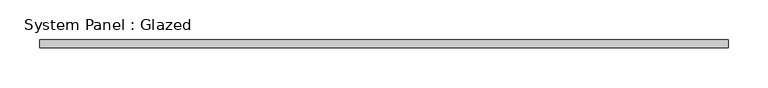
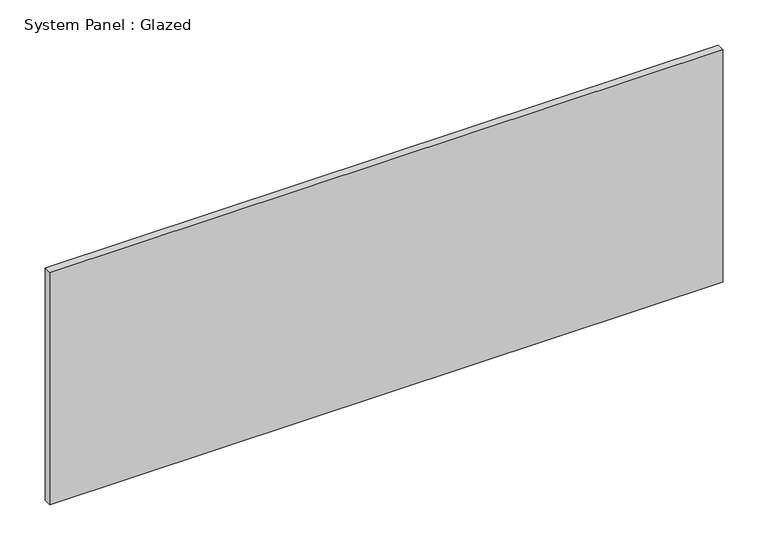
"""IFC4 building model written with IfcOpenShell, lengths in millimetres: plate geometry, System Panel : Glazed."""

from ifc_helpers import new_model, si_unit, origin, origin_with_axes, place, context, project, spatial, polyline, outline, extrude, source, transform, mapped, element, save


def system_panel_glazed_6a3b800e(model_context):
    return source(origin(), model_context, "Body", "SweptSolid", [
        extrude(outline(polyline([(431.44275, -5.0), (-431.44275, -5.0), (-431.44275, 5.0), (431.44275, 5.0), (431.44275, -5.0)])), origin_with_axes(), (0.0, 0.0, 1.0), 315.0),
    ])


if __name__ == "__main__":
    model = new_model("IFC4")
    model_context = context("Model", 3, world=origin())
    ifc_project = project(units=[si_unit("LENGTHUNIT", "METRE", prefix="MILLI")], contexts=[model_context])
    site = spatial("IfcSite", under=ifc_project)
    building = spatial("IfcBuilding", under=site)
    placement = place(None, origin())
    system_panel_glazed_shape = system_panel_glazed_6a3b800e(model_context)
    element("IfcPlate", 1, ObjectType="System Panel : Glazed", at=placement, inside=building, context=model_context, shape_type="MappedRepresentation", body=[
        mapped(system_panel_glazed_shape, transform((0.0, 0.0, 0.0), x_axis=(1.0, 0.0, 0.0), y_axis=(0.0, 1.0, 0.0), z_axis=(0.0, 0.0, 1.0))),
    ])
    save(model, "model.ifc")
